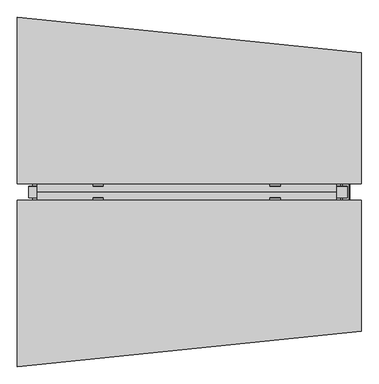
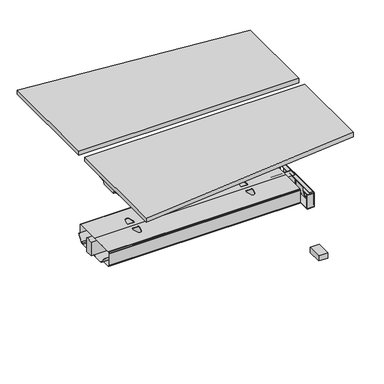
"""IFC4 building model written with IfcOpenShell, lengths in millimetres: furniture geometry."""

from ifc_helpers import new_model, si_unit, point, frame, frame_2d, origin, place, context, project, spatial, polyline, circle_curve, ellipse_curve, trimmed, segment, composite_curve, outline, extrude, faceted_brep, source, transform, mapped, element, save
from ifc_brep_helpers import plane_surface, cylinder_surface, revolved_surface, advanced_brep


def furniture_295356d1(model_context):
    return source(origin(), model_context, "Body", "SolidModel", [
        extrude(outline(polyline([(692.4505912, 639.3704277), (692.4505912, 627.2010571), (647.4824058, 627.2010571), (647.4824058, 639.3704277), (692.4505912, 639.3704277)])), frame((0.0, 0.0, 329.7517063), z_axis=(0.0, 0.0, 1.0), x_axis=(1.0, 0.0, 0.0)), (0.0, 0.0, 1.0), 2.6568509),
        extrude(outline(polyline([(666.5324058, 557.0887375), (647.4824058, 592.5319047), (647.4824058, 639.3704277), (692.4505912, 639.3704277), (692.4505912, 627.4425925), (666.5324058, 627.4425925), (666.5324058, 557.0887375)])), frame((0.0, 0.0, 428.6948675), z_axis=(0.0, 0.0, 1.0), x_axis=(1.0, 0.0, 0.0)), (0.0, 0.0, 1.0), 2.6568509),
        extrude(outline(polyline([(692.4505912, 170.9160479), (692.4505912, 158.9882127), (647.4824058, 158.9882127), (647.4824058, 170.9160479), (692.4505912, 170.9160479)])), frame((0.0, 0.0, 329.7517063), z_axis=(0.0, 0.0, 1.0), x_axis=(1.0, 0.0, 0.0)), (0.0, 0.0, 1.0), 2.6568509),
        extrude(outline(polyline([(692.4505912, 165.0842069), (692.4505912, 158.9882127), (647.4824058, 158.9882127), (647.4824058, 165.0842069), (692.4505912, 165.0842069)])), frame((0.0, 0.0, 332.4085572), z_axis=(0.0, 0.0, 1.0), x_axis=(1.0, 0.0, 0.0)), (0.0, 0.0, 1.0), 96.2863103),
        extrude(outline(polyline([(666.5324058, 241.2699029), (666.5324058, 170.9160479), (692.4505912, 170.9160479), (692.4505912, 158.9882127), (647.4824058, 158.9882127), (647.4824058, 205.8267357), (666.5324058, 241.2699029)])), frame((0.0, 0.0, 428.6948675), z_axis=(0.0, 0.0, 1.0), x_axis=(1.0, 0.0, 0.0)), (0.0, 0.0, 1.0), 2.6568509),
        extrude(outline(composite_curve([segment(polyline([(692.5018643, 165.0842069), (647.4824058, 165.0842069), (647.4824058, 167.7418174), (692.4320682, 167.7418174)]), True, "CONTINUOUS"), segment(trimmed(circle_curve(frame_2d((692.5019303, 170.9160843)), 3.1750357), [point((692.4320682, 167.7418174))], [point((695.676966, 170.9160479))], True, "CARTESIAN"), True, "CONTINUOUS"), segment(polyline([(695.676966, 170.9160479), (698.3337054, 170.9160479)]), True, "CONTINUOUS"), segment(trimmed(circle_curve(frame_2d((692.5018643, 170.9160479)), 5.8318411), [point((698.3337054, 170.9160479))], [point((692.5018643, 165.0842069))], False, "CARTESIAN"), True, "CONTINUOUS")], self_intersect=False)), frame((0.0, 0.0, 337.371699), z_axis=(0.0, 0.0, 1.0), x_axis=(1.0, 0.0, 0.0)), (0.0, 0.0, 1.0), 87.8941627),
        extrude(outline(polyline([(342.9173325, 425.2658616), (337.0354481, 421.6463878), (337.0354481, 416.1853839), (341.0613469, 412.1594669), (457.0505017, 412.1594669), (461.0764369, 416.1853839), (461.0764369, 421.6463878), (454.0472738, 425.9718869), (627.4425766, 425.9718869), (627.4425766, 333.9274688), (170.9160479, 333.9274688), (170.9160479, 425.2658616), (342.9173325, 425.2658616)]), holes=[polyline([(233.9635599, 355.1517184), (235.6650368, 348.8017063), (240.3135539, 344.1531891), (246.663566, 342.4517305), (265.713566, 342.4517305), (272.0635599, 344.1531891), (276.7120862, 348.8017063), (278.413563, 355.1517184), (278.413563, 393.2517184), (276.7120862, 399.6017305), (272.0635599, 404.2502476), (265.713566, 405.9517063), (246.663566, 405.9517063), (240.3135539, 404.2502476), (235.6650368, 399.6017305), (233.9635599, 393.2517184), (233.9635599, 355.1517184)]), polyline([(424.4559432, 341.1336423), (424.4559432, 392.426696), (423.9200452, 394.4267193), (422.4559432, 395.8908015), (420.4559432, 396.4267063), (377.6345424, 396.4267063), (375.6345441, 395.8908015), (374.1704415, 394.4267193), (373.6345435, 392.426696), (373.6345435, 341.1336423), (374.1704415, 339.1336554), (375.6345441, 337.6695369), (377.6345424, 337.1336321), (420.4559432, 337.1336321), (422.4559432, 337.6695369), (423.9200452, 339.1336554), (424.4559432, 341.1336423)]), polyline([(564.1483295, 355.1517184), (564.1483295, 393.2517184), (562.4468527, 399.6017305), (557.7983356, 404.2502476), (551.4483235, 405.9517063), (532.3983235, 405.9517063), (526.0483295, 404.2502476), (521.3998033, 399.6017305), (519.6983265, 393.2517184), (519.6983265, 355.1517184), (521.3998033, 348.8017063), (526.0483295, 344.1531891), (532.3983235, 342.4517305), (551.4483235, 342.4517305), (557.7983356, 344.1531891), (562.4468527, 348.8017063), (564.1483295, 355.1517184)])]), frame((692.4505912, 0.0, 0.0), z_axis=(1.0, 0.0, 0.0), x_axis=(0.0, 1.0, 0.0)), (0.0, 0.0, 1.0), 3.2262996),
        faceted_brep([(638.3400259, 227.963817, 425.8310036), (638.3400259, 227.963817, 340.2751793), (638.3400259, 227.963817, 338.091367), (638.3400259, 228.9762009, 334.3130557), (638.3400259, 231.7467258, 331.542549), (638.3400259, 235.531324, 330.5284757), (638.3400259, 398.8377457, 330.5284757), (638.3400259, 562.8273164, 330.5284757), (638.3400259, 566.6119146, 331.542549), (638.3400259, 569.3824396, 334.3130557), (638.3400259, 570.3948234, 338.091367), (638.3400259, 570.3948234, 340.2751793), (638.3400259, 570.3948234, 425.8310036), (638.3400259, 569.4215919, 429.4631947), (638.3400259, 566.6102252, 432.3861267), (638.3400259, 562.825627, 433.4002), (638.3400259, 397.785447, 433.4002), (638.3400259, 235.5330134, 433.4002), (638.3400259, 231.7484152, 432.3861267), (638.3400259, 228.9370485, 429.4631947), (638.3400259, 235.5330134, 432.1810157), (638.3400259, 396.9389352, 432.1810157), (638.3400259, 562.825627, 432.1810157), (638.3400259, 566.000633, 431.3302682), (638.3400259, 568.3248916, 429.0059915), (638.3400259, 569.1756391, 425.8310036), (638.3400259, 569.1756391, 340.2751793), (638.3400259, 569.1756391, 338.0914349), (638.3400259, 568.326581, 334.9226842), (638.3400259, 566.0023225, 332.5984075), (638.3400259, 562.8273164, 331.74766), (638.3400259, 397.7786116, 331.74766), (638.3400259, 235.531324, 331.74766), (638.3400259, 232.3563179, 332.5984075), (638.3400259, 230.0320594, 334.9226842), (638.3400259, 229.1830013, 338.0914349), (638.3400259, 229.1830013, 340.2751793), (638.3400259, 229.1830013, 425.8310036), (638.3400259, 230.0337488, 429.0059915), (638.3400259, 232.3580074, 431.3302682), (-660.9408985, 227.963817, 425.8310036), (-660.9408985, 228.9370485, 429.4631947), (-660.9408985, 231.7484152, 432.3861267), (-660.9408985, 235.5330134, 433.4002), (-660.9408985, 397.785447, 433.4002), (-660.9408985, 562.825627, 433.4002), (-660.9408985, 566.6102252, 432.3861267), (-660.9408985, 569.4215919, 429.4631947), (-660.9408985, 570.3948234, 425.8310036), (-660.9408985, 570.3948234, 340.2751793), (-660.9408985, 570.3948234, 338.091367), (-660.9408985, 569.3824396, 334.3130557), (-660.9408985, 566.6119146, 331.542549), (-660.9408985, 562.8273164, 330.5284757), (-660.9408985, 398.8377457, 330.5284757), (-660.9408985, 235.531324, 330.5284757), (-660.9408985, 231.7467258, 331.542549), (-660.9408985, 228.9762009, 334.3130557), (-660.9408985, 227.963817, 338.091367), (-660.9408985, 227.963817, 340.2751793), (-660.9408985, 235.5330134, 432.1810157), (-660.9408985, 232.3580074, 431.3302682), (-660.9408985, 230.0337488, 429.0059915), (-660.9408985, 229.1830013, 425.8310036), (-660.9408985, 229.1830013, 340.2751793), (-660.9408985, 229.1830013, 338.0914349), (-660.9408985, 230.0320594, 334.9226842), (-660.9408985, 232.3563179, 332.5984075), (-660.9408985, 235.531324, 331.74766), (-660.9408985, 397.7786116, 331.74766), (-660.9408985, 562.8273164, 331.74766), (-660.9408985, 566.0023225, 332.5984075), (-660.9408985, 568.326581, 334.9226842), (-660.9408985, 569.1756391, 338.0914349), (-660.9408985, 569.1756391, 340.2751793), (-660.9408985, 569.1756391, 425.8310036), (-660.9408985, 568.3248916, 429.0059915), (-660.9408985, 566.000633, 431.3302682), (-660.9408985, 562.825627, 432.1810157), (-660.9408985, 396.9389352, 432.1810157), (-419.4047758, 360.9565261, 432.1810157), (-410.7451218, 328.5218157, 432.1810157), (-408.3303984, 323.3434246, 432.1810157), (-403.8899754, 319.7476409, 432.1810157), (-398.3226676, 318.4623267, 432.1810157), (-396.036917, 318.4623267, 432.1810157), (-390.4696093, 319.7476409, 432.1810157), (-386.0291863, 323.3434246, 432.1810157), (-383.6144421, 328.5218604, 432.1810157), (-374.9548, 360.9565261, 432.1810157), (-374.9548, 373.6565253, 432.1810157), (-419.4047758, 373.6565253, 432.1810157), (395.1587307, 360.9565261, 432.1810157), (395.1587307, 373.6565253, 432.1810157), (350.7087549, 373.6565253, 432.1810157), (350.7087549, 360.9565261, 432.1810157), (359.368397, 328.5218604, 432.1810157), (361.7831412, 323.3434246, 432.1810157), (366.2235642, 319.7476409, 432.1810157), (371.790872, 318.4623267, 432.1810157), (374.0766226, 318.4623267, 432.1810157), (379.6439303, 319.7476409, 432.1810157), (384.0843533, 323.3434246, 432.1810157), (386.4990767, 328.5218157, 432.1810157), (-410.7451218, 328.5218157, 433.4002), (-419.4047758, 360.9565261, 433.4002), (-419.4047758, 373.6565253, 433.4002), (-374.9548, 373.6565253, 433.4002), (-374.9548, 360.9565261, 433.4002), (-383.6144421, 328.5218604, 433.4002), (-386.0291863, 323.3434246, 433.4002), (-390.4696093, 319.7476409, 433.4002), (-396.036917, 318.4623267, 433.4002), (-398.3226676, 318.4623267, 433.4002), (-403.8899754, 319.7476409, 433.4002), (-408.3303984, 323.3434246, 433.4002), (395.1587307, 373.6565253, 433.4002), (395.1587307, 360.9565261, 433.4002), (386.4990767, 328.5218157, 433.4002), (384.0843533, 323.3434246, 433.4002), (379.6439303, 319.7476409, 433.4002), (374.0766226, 318.4623267, 433.4002), (371.790872, 318.4623267, 433.4002), (366.2235642, 319.7476409, 433.4002), (361.7831412, 323.3434246, 433.4002), (359.368397, 328.5218604, 433.4002), (350.7087549, 360.9565261, 433.4002), (350.7087549, 373.6565253, 433.4002), (-419.4047758, 424.7021151, 433.4002), (-419.4047758, 437.4021143, 433.4002), (-410.7451218, 469.8368247, 433.4002), (-408.3303984, 475.0152158, 433.4002), (-403.8899754, 478.6109995, 433.4002), (-398.3226676, 479.8963137, 433.4002), (-396.036917, 479.8963137, 433.4002), (-390.4696093, 478.6109995, 433.4002), (-386.0291863, 475.0152158, 433.4002), (-383.6144421, 469.83678, 433.4002), (-374.9548, 437.4021143, 433.4002), (-374.9548, 424.7021151, 433.4002), (386.4990767, 469.8368247, 433.4002), (395.1587307, 437.4021143, 433.4002), (395.1587307, 424.7021151, 433.4002), (350.7087549, 424.7021151, 433.4002), (350.7087549, 437.4021143, 433.4002), (359.368397, 469.83678, 433.4002), (361.7831412, 475.0152158, 433.4002), (366.2235642, 478.6109995, 433.4002), (371.790872, 479.8963137, 433.4002), (374.0766226, 479.8963137, 433.4002), (379.6439303, 478.6109995, 433.4002), (384.0843533, 475.0152158, 433.4002), (-419.4047758, 437.4021143, 432.1810157), (-419.4047758, 424.7021151, 432.1810157), (-374.9548, 424.7021151, 432.1810157), (-374.9548, 437.4021143, 432.1810157), (-383.6144421, 469.83678, 432.1810157), (-386.0291863, 475.0152158, 432.1810157), (-390.4696093, 478.6109995, 432.1810157), (-396.036917, 479.8963137, 432.1810157), (-398.3226676, 479.8963137, 432.1810157), (-403.8899754, 478.6109995, 432.1810157), (-408.3303984, 475.0152158, 432.1810157), (-410.7451218, 469.8368247, 432.1810157), (395.1587307, 437.4021143, 432.1810157), (386.4990767, 469.8368247, 432.1810157), (384.0843533, 475.0152158, 432.1810157), (379.6439303, 478.6109995, 432.1810157), (374.0766226, 479.8963137, 432.1810157), (371.790872, 479.8963137, 432.1810157), (366.2235642, 478.6109995, 432.1810157), (361.7831412, 475.0152158, 432.1810157), (359.368397, 469.83678, 432.1810157), (350.7087549, 437.4021143, 432.1810157), (350.7087549, 424.7021151, 432.1810157), (395.1587307, 424.7021151, 432.1810157)], [[[0, 1, 2, 3, 4, 5, 6, 7, 8, 9, 10, 11, 12, 13, 14, 15, 16, 17, 18, 19], [20, 21, 22, 23, 24, 25, 26, 27, 28, 29, 30, 31, 32, 33, 34, 35, 36, 37, 38, 39]], [[40, 41, 42, 43, 44, 45, 46, 47, 48, 49, 50, 51, 52, 53, 54, 55, 56, 57, 58, 59], [60, 61, 62, 63, 64, 65, 66, 67, 68, 69, 70, 71, 72, 73, 74, 75, 76, 77, 78, 79]], [[37, 36, 64, 63]], [[38, 37, 63, 62]], [[39, 38, 62, 61]], [[20, 39, 61, 60]], [[21, 20, 60, 79], [80, 81, 82, 83, 84, 85, 86, 87, 88, 89, 90, 91], [92, 93, 94, 95, 96, 97, 98, 99, 100, 101, 102, 103]], [[17, 16, 44, 43], [104, 105, 106, 107, 108, 109, 110, 111, 112, 113, 114, 115], [116, 117, 118, 119, 120, 121, 122, 123, 124, 125, 126, 127]], [[18, 17, 43, 42]], [[19, 18, 42, 41]], [[0, 19, 41, 40]], [[1, 0, 40, 59]], [[2, 1, 59, 58]], [[3, 2, 58, 57]], [[4, 3, 57, 56]], [[5, 4, 56, 55]], [[6, 5, 55, 54]], [[7, 6, 54, 53]], [[8, 7, 53, 52]], [[9, 8, 52, 51]], [[10, 9, 51, 50]], [[11, 10, 50, 49]], [[12, 11, 49, 48]], [[13, 12, 48, 47]], [[14, 13, 47, 46]], [[15, 14, 46, 45]], [[16, 15, 45, 44], [128, 129, 130, 131, 132, 133, 134, 135, 136, 137, 138, 139], [140, 141, 142, 143, 144, 145, 146, 147, 148, 149, 150, 151]], [[22, 21, 79, 78], [152, 153, 154, 155, 156, 157, 158, 159, 160, 161, 162, 163], [164, 165, 166, 167, 168, 169, 170, 171, 172, 173, 174, 175]], [[23, 22, 78, 77]], [[24, 23, 77, 76]], [[25, 24, 76, 75]], [[26, 25, 75, 74]], [[27, 26, 74, 73]], [[28, 27, 73, 72]], [[29, 28, 72, 71]], [[30, 29, 71, 70]], [[31, 30, 70, 69]], [[32, 31, 69, 68]], [[33, 32, 68, 67]], [[34, 33, 67, 66]], [[35, 34, 66, 65]], [[36, 35, 65, 64]], [[80, 105, 104, 81]], [[81, 104, 115, 82]], [[82, 115, 114, 83]], [[83, 114, 113, 84]], [[84, 113, 112, 85]], [[85, 112, 111, 86]], [[86, 111, 110, 87]], [[87, 110, 109, 88]], [[88, 109, 108, 89]], [[89, 108, 107, 90]], [[90, 107, 106, 91]], [[105, 80, 91, 106]], [[92, 117, 116, 93]], [[93, 116, 127, 94]], [[94, 127, 126, 95]], [[95, 126, 125, 96]], [[96, 125, 124, 97]], [[97, 124, 123, 98]], [[98, 123, 122, 99]], [[99, 122, 121, 100]], [[100, 121, 120, 101]], [[101, 120, 119, 102]], [[102, 119, 118, 103]], [[117, 92, 103, 118]], [[152, 129, 128, 153]], [[153, 128, 139, 154]], [[154, 139, 138, 155]], [[155, 138, 137, 156]], [[156, 137, 136, 157]], [[157, 136, 135, 158]], [[158, 135, 134, 159]], [[159, 134, 133, 160]], [[160, 133, 132, 161]], [[161, 132, 131, 162]], [[162, 131, 130, 163]], [[129, 152, 163, 130]], [[164, 141, 140, 165]], [[165, 140, 151, 166]], [[166, 151, 150, 167]], [[167, 150, 149, 168]], [[168, 149, 148, 169]], [[169, 148, 147, 170]], [[170, 147, 146, 171]], [[171, 146, 145, 172]], [[172, 145, 144, 173]], [[173, 144, 143, 174]], [[174, 143, 142, 175]], [[141, 164, 175, 142]]]),
        extrude(outline(composite_curve([segment(trimmed(circle_curve(frame_2d((422.8428694, 431.8444538)), 1.5557462), [point((422.8428694, 433.4002))], [point((424.3986156, 431.8444538))], False, "CARTESIAN"), True, "CONTINUOUS"), segment(polyline([(424.3986156, 431.8444538), (424.3986156, 333.9274688), (374.3606156, 333.9274688), (374.3606156, 433.4002), (422.8428694, 433.4002)]), True, "CONTINUOUS")], self_intersect=False)), frame((-698.3783882, 0.0, 0.0), z_axis=(1.0, 0.0, 0.0), x_axis=(0.0, 1.0, 0.0)), (0.0, 0.0, 1.0), 1384.4789923),
        extrude(outline(composite_curve([segment(polyline([(431.3517184, 692.4505912), (431.3517184, 666.5324058), (428.6948675, 666.5324058), (428.6948675, 692.2062975)]), True, "CONTINUOUS"), segment(trimmed(circle_curve(frame_2d((425.2452738, 692.2062975)), 3.4495937), [point((428.6948675, 692.2062975))], [point((425.2658616, 695.6558297))], True, "CARTESIAN"), True, "CONTINUOUS"), segment(polyline([(425.2658616, 695.6558297), (425.2658616, 698.2823549)]), True, "CONTINUOUS"), segment(trimmed(circle_curve(frame_2d((425.1720964, 692.093112)), 6.1899531), [point((425.2658616, 698.2823549))], [point((431.3517184, 692.4505912))], False, "CARTESIAN"), True, "CONTINUOUS")], self_intersect=False)), frame((0.0, 170.9160479, 0.0), z_axis=(0.0, 1.0, 0.0), x_axis=(0.0, 0.0, 1.0)), (0.0, 0.0, 1.0), 468.4543798),
        extrude(outline(composite_curve([segment(trimmed(circle_curve(frame_2d((691.6017284, 627.2010571)), 5.8318411), [point((691.6017284, 633.0328981))], [point((697.4335695, 627.2010571))], False, "CARTESIAN"), True, "CONTINUOUS"), segment(polyline([(697.4335695, 627.2010571), (694.7768301, 627.2010571)]), True, "CONTINUOUS"), segment(trimmed(circle_curve(frame_2d((691.6017944, 627.2010206)), 3.1750357), [point((694.7768301, 627.2010571))], [point((691.5319323, 630.3752876))], True, "CARTESIAN"), True, "CONTINUOUS"), segment(polyline([(691.5319323, 630.3752876), (647.4824058, 630.3752876), (647.4824058, 633.0328981), (691.6017284, 633.0328981)]), True, "CONTINUOUS")], self_intersect=False)), frame((0.0, 0.0, 337.371699), z_axis=(0.0, 0.0, 1.0), x_axis=(1.0, 0.0, 0.0)), (0.0, 0.0, 1.0), 87.8941627),
        extrude(outline(composite_curve([segment(trimmed(circle_curve(frame_2d((335.5834916, 692.5019564)), 3.1749345), [point((335.5835451, 695.6768908))], [point((332.4090868, 692.443965))], True, "CARTESIAN"), True, "CONTINUOUS"), segment(polyline([(332.4090868, 692.443965), (332.4090868, 647.4824058), (329.7517063, 647.4824058), (329.7517063, 692.5017915)]), True, "CONTINUOUS"), segment(trimmed(circle_curve(frame_2d((335.5835451, 692.5017915)), 5.8318388), [point((329.7517063, 692.5017915))], [point((335.5835451, 698.3336303))], False, "CARTESIAN"), True, "CONTINUOUS"), segment(polyline([(335.5835451, 698.3336303), (335.5835451, 695.6768908)]), True, "CONTINUOUS")], self_intersect=False)), frame((0.0, 170.9160479, 0.0), z_axis=(0.0, 1.0, 0.0), x_axis=(0.0, 0.0, 1.0)), (0.0, 0.0, 1.0), 456.2850092),
        extrude(outline(polyline([(247.9512827, 383.2085327), (249.1812376, 384.0998213), (279.7035642, 341.9798116), (286.6253346, 336.0569173), (295.8489895, 333.9274688), (417.8747239, 333.9274688), (502.5096509, 333.9274688), (511.7333058, 336.0569173), (518.6550762, 341.9798116), (549.1774028, 384.0998213), (550.4073577, 383.2085327), (519.8850248, 341.0885143), (512.423716, 334.7039476), (502.7693005, 332.4750501), (402.1125576, 332.4750501), (295.5893399, 332.4750501), (285.9349244, 334.7039476), (278.4736156, 341.0885143), (247.9512827, 383.2085327)])), frame((-681.3524342, 0.0, 0.0), z_axis=(1.0, 0.0, 0.0), x_axis=(0.0, 1.0, 0.0)), (0.0, 0.0, 1.0), 1338.4018538),
        extrude(outline(polyline([(747.776, 434.1875871), (-747.776, 434.1875871), (-747.776, 1157.325615), (747.776, 1004.9255871), (747.776, 434.1875871)])), frame((0.0, 0.0, 1037.209), z_axis=(0.0, 0.0, 1.0), x_axis=(1.0, 0.0, 0.0)), (0.0, 0.0, 1.0), 29.591),
        advanced_brep(
        [(696.976, 127.2221653, 10.2361894), (696.976, 141.2419153, 10.2361894), (696.976, 140.8547401, 8.7946116), (696.976, 127.6093405, 8.7946116), (696.976, 134.2320403, 10.2361894), (696.976, 113.2751519, 0.0), (696.976, 155.1889286, 0.0), (696.976, 134.2320403, 0.0), (696.976, 111.7314216, 1.5436985), (696.976, 156.732659, 1.5436985), (696.976, 111.7314763, 4.1072626), (696.976, 156.7326043, 4.1072626), (696.976, 113.2713167, 5.9174378), (696.976, 155.1927639, 5.9174378)],
        [
            (0, 1, circle_curve(frame((696.976, 134.2320403, 10.2361894), z_axis=(0.0, 0.0, -1.0), x_axis=(0.0, 1.0, 0.0)), 7.009875)),
            (1, 2),
            (2, 3, circle_curve(frame((696.976, 134.2320403, 8.7946116), z_axis=(0.0, 0.0, 1.0), x_axis=(0.0, 1.0, 0.0)), 6.6226998)),
            (3, 0),
            (1, 0, circle_curve(frame((696.976, 134.2320403, 10.2361894), z_axis=(0.0, 0.0, -1.0), x_axis=(0.0, 1.0, 0.0)), 7.009875)),
            (3, 2, circle_curve(frame((696.976, 134.2320403, 8.7946116), z_axis=(0.0, 0.0, 1.0), x_axis=(0.0, 1.0, 0.0)), 6.6226998)),
            (4, 1),
            (0, 4),
            (5, 6, circle_curve(frame((696.976, 134.2320403, 0.0), z_axis=(0.0, 0.0, -1.0), x_axis=(0.0, 1.0, 0.0)), 20.9568884)),
            (6, 7),
            (7, 5),
            (6, 5, circle_curve(frame((696.976, 134.2320403, 0.0), z_axis=(0.0, 0.0, -1.0), x_axis=(0.0, 1.0, 0.0)), 20.9568884)),
            (8, 9, circle_curve(frame((696.976, 134.2320403, 1.5436985), z_axis=(0.0, 0.0, -1.0), x_axis=(0.0, 1.0, 0.0)), 22.5006187)),
            (9, 6),
            (5, 8),
            (9, 8, circle_curve(frame((696.976, 134.2320403, 1.5436985), z_axis=(0.0, 0.0, -1.0), x_axis=(0.0, 1.0, 0.0)), 22.5006187)),
            (10, 11, circle_curve(frame((696.976, 134.2320403, 4.1072626), z_axis=(0.0, 0.0, -1.0), x_axis=(0.0, 1.0, 0.0)), 22.500564)),
            (11, 9),
            (8, 10),
            (11, 10, circle_curve(frame((696.976, 134.2320403, 4.1072626), z_axis=(0.0, 0.0, -1.0), x_axis=(0.0, 1.0, 0.0)), 22.500564)),
            (12, 13, circle_curve(frame((696.976, 134.2320403, 5.9174378), z_axis=(0.0, 0.0, -1.0), x_axis=(0.0, 1.0, 0.0)), 20.9607236)),
            (13, 11),
            (10, 12),
            (13, 12, circle_curve(frame((696.976, 134.2320403, 5.9174378), z_axis=(0.0, 0.0, -1.0), x_axis=(0.0, 1.0, 0.0)), 20.9607236)),
            (2, 13),
            (12, 3),
        ],
        [
            revolved_surface(polyline([(696.976, 140.8547401, 8.7946116), (696.976, 141.2419153, 10.2361894)]), (696.976, 134.2320403, 0.0), (0.0, 0.0, 1.0)),
            plane_surface(frame((696.976, 134.2320403, 10.2361894), z_axis=(0.0, 0.0, 1.0), x_axis=(0.0, 1.0, 0.0))),
            plane_surface(frame((696.976, 134.2320403, 0.0), z_axis=(0.0, 0.0, -1.0), x_axis=(0.0, 1.0, 0.0))),
            revolved_surface(polyline([(696.976, 155.1889286, 0.0), (696.976, 156.732659, 1.5436985)]), (696.976, 134.2320403, 0.0), (0.0, 0.0, 1.0)),
            cylinder_surface(frame((696.976, 134.2320403, 0.0), z_axis=(0.0, 0.0, 1.0), x_axis=(0.0, 1.0, 0.0)), 22.500564),
            revolved_surface(polyline([(696.976, 156.7327498, 4.1072626), (696.976, 155.1927639, 5.9174378)]), (696.976, 134.2320403, 0.0), (0.0, 0.0, 1.0)),
            revolved_surface(polyline([(696.976, 155.1927639, 5.9174378), (696.976, 140.8547401, 8.7946116)]), (696.976, 134.2320403, 0.0), (0.0, 0.0, 1.0)),
        ],
        [
            (0, [[1, 2, 3, 4]]),
            (0, [[5, -4, 6, -2]]),
            (1, [[7, -1, 8]]),
            (1, [[-8, -5, -7]]),
            (2, [[9, 10, 11]]),
            (2, [[12, -11, -10]]),
            (3, [[13, 14, -9, 15]]),
            (3, [[16, -15, -12, -14]]),
            (4, [[17, 18, -13, 19]]),
            (4, [[20, -19, -16, -18]]),
            (5, [[21, 22, -17, 23]]),
            (5, [[24, -23, -20, -22]]),
            (6, [[-3, 25, -21, 26]]),
            (6, [[-6, -26, -24, -25]]),
        ],
    ),
        extrude(outline(polyline([(667.0675, 59.6052169), (667.0675, 158.9882127), (726.8845, 158.9882127), (726.8845, 59.6052169), (667.0675, 59.6052169)])), frame((0.0, 0.0, 10.2361894), z_axis=(0.0, 0.0, 1.0), x_axis=(1.0, 0.0, 0.0)), (0.0, 0.0, 1.0), 37.8638679),
        extrude(outline(polyline([(747.776, 364.3376128), (747.776, -206.4003872), (-747.776, -358.8004151), (-747.776, 364.3376128), (747.776, 364.3376128)])), frame((0.0, 0.0, 1037.209), z_axis=(0.0, 0.0, 1.0), x_axis=(1.0, 0.0, 0.0)), (0.0, 0.0, 1.0), 29.591),
        advanced_brep(
        [(-731.4406297, 162.7292702, 988.7915733), (-565.7122138, 162.7292702, 988.7915733), (-580.0924181, 160.5008169, 986.1442785), (-728.9518591, 160.5008169, 986.1442785), (-731.6625278, 162.738256, 989.0276054), (-734.0619089, 163.3822827, 1005.9443054), (-551.2773962, 163.3822827, 1005.9443054), (-551.2773962, 163.0342965, 996.8037253), (-554.1075093, 162.9531058, 994.6710821), (-554.2501644, 162.8754397, 992.6310191), (-734.9185362, 168.8493181, 1011.9839076), (-551.2773962, 168.8493181, 1011.9839076), (-737.4393767, 283.4205225, 1029.7569507), (-673.2243442, 283.4205225, 1029.7569507), (-551.2773962, 202.6158, 1017.2219877), (-737.5128152, 287.1965275, 1030.2747243), (-678.9229255, 287.1965275, 1030.2747243), (-738.1871296, 288.7067839, 1035.0289399), (-736.4021288, 286.1298888, 1037.209), (-677.3132011, 286.1298888, 1037.209), (-738.1871296, -70.2667839, 1035.0289399), (-737.5128152, -68.7565275, 1030.2747243), (-678.9229255, -68.7565275, 1030.2747243), (-677.3132011, -67.6898888, 1037.209), (-736.4021288, -67.6898888, 1037.209), (-737.4393767, -64.9805225, 1029.7569507), (-673.2243442, -64.9805225, 1029.7569507), (-734.9185362, 49.5906819, 1011.9839076), (-551.2773962, 49.5906819, 1011.9839076), (-551.2773962, 15.8242, 1017.2219877), (-734.0619089, 55.0577173, 1005.9443054), (-551.2773962, 55.0577173, 1005.9443054), (-731.6625278, 55.701744, 989.0276054), (-731.4406297, 55.7107298, 988.7915733), (-565.7122138, 55.7107298, 988.7915733), (-554.2501644, 55.5645603, 992.6310191), (-554.1075093, 55.4868942, 994.6710821), (-551.2773962, 55.4057035, 996.8037253), (-728.9518591, 57.9391831, 986.1442785), (-580.0924181, 57.9391831, 986.1442785), (-551.2773962, 15.8242, 1037.209), (-551.2773962, 202.6158, 1037.209)],
        [
            (0, 1),
            (1, 2, ellipse_curve(frame((-589.9936465, 239.7670009, 1080.3086722), z_axis=(0.0, 0.7650318638532662, -0.6439924279750482), x_axis=(0.0, 0.6439924279750482, 0.7650318638532662)), 123.7641411, 94.6835116)),
            (2, 3),
            (3, 0),
            (0, 4),
            (4, 5),
            (5, 6),
            (6, 7),
            (7, 8),
            (8, 9),
            (9, 1, ellipse_curve(frame((-589.9936465, 166.2133686, 1080.3086722), z_axis=(0.0, 0.999276106683639, -0.03804290487316255), x_axis=(0.0, 0.03804290487316397, 0.999276106683639)), 94.752102, 94.6835116)),
            (5, 10, ellipse_curve(frame((-734.0119691, 169.8408409, 1005.5922075), z_axis=(-0.9900906714849619, 0.0, -0.1404295632637843), x_axis=(-0.1404295632637846, 0.0, 0.9900906714849619)), 6.5328852, 6.4681487)),
            (10, 11),
            (11, 6, circle_curve(frame((-551.2773962, 169.8408409, 1005.5922075), z_axis=(1.0, 0.0, 0.0), x_axis=(0.0, 1.0, 0.0)), 6.4681487)),
            (10, 12),
            (12, 13),
            (13, 14),
            (14, 11),
            (12, 15),
            (15, 16),
            (16, 13),
            (15, 17, ellipse_curve(frame((-737.9730772, 285.2194111, 1033.5197755), z_axis=(0.9900906714849619, 0.0, 0.1404295632637843), x_axis=(0.1404295632637846, 0.0, -0.9900906714849619)), 3.8379455, 3.7999141)),
            (17, 18, ellipse_curve(frame((-739.422811, 285.2194111, 1033.5197755), z_axis=(0.7737284588432124, 0.0, -0.6335173809581766), x_axis=(0.6335173809581766, 0.0, 0.7737284588432124)), 4.9111727, 3.7999141)),
            (18, 19),
            (19, 16, ellipse_curve(frame((-675.939148, 285.2194111, 1033.5197755), z_axis=(-0.5523637579768881, -0.833603190297188, 0.0), x_axis=(0.833603190297188, -0.5523637579768881, 0.0)), 6.8793689, 3.7999141)),
            (20, 21, ellipse_curve(frame((-737.9730772, -66.7794111, 1033.5197755), z_axis=(0.9900906714849619, 0.0, 0.1404295632637843), x_axis=(0.1404295632637846, 0.0, -0.9900906714849619)), 3.8379455, 3.7999141)),
            (21, 22),
            (22, 23, ellipse_curve(frame((-675.939148, -66.7794111, 1033.5197755), z_axis=(-0.5523637579749648, 0.8336031902984624, 0.0), x_axis=(0.8336031902984624, 0.5523637579749648, 0.0)), 6.8793689, 3.7999141)),
            (23, 24),
            (24, 20, ellipse_curve(frame((-739.422811, -66.7794111, 1033.5197755), z_axis=(0.7737284588432124, 0.0, -0.6335173809581766), x_axis=(0.6335173809581766, 0.0, 0.7737284588432124)), 4.9111727, 3.7999141)),
            (21, 25),
            (25, 26),
            (26, 22),
            (27, 28),
            (28, 29),
            (29, 26),
            (25, 27),
            (27, 30, ellipse_curve(frame((-734.0119691, 48.5991591, 1005.5922075), z_axis=(-0.9900906714849619, 0.0, -0.1404295632637843), x_axis=(-0.1404295632637846, 0.0, 0.9900906714849619)), 6.5328852, 6.4681487)),
            (30, 31),
            (31, 28, circle_curve(frame((-551.2773962, 48.5991591, 1005.5922075), z_axis=(1.0, 0.0, 0.0), x_axis=(0.0, 1.0, 0.0)), 6.4681487)),
            (30, 32),
            (32, 33),
            (33, 34),
            (34, 35, ellipse_curve(frame((-589.9936465, 52.2266314, 1080.3086722), z_axis=(0.0, -0.9992761066836363, -0.03804290487323539), x_axis=(0.0, 0.03804290487323121, -0.9992761066836364)), 94.752102, 94.6835116)),
            (35, 36),
            (36, 37),
            (37, 31),
            (33, 38),
            (38, 39),
            (39, 34, ellipse_curve(frame((-589.9936465, -21.3270009, 1080.3086722), z_axis=(0.0, -0.7650318638534733, -0.643992427974802), x_axis=(0.0, 0.643992427974802, -0.7650318638534732)), 123.7641411, 94.6835116)),
            (4, 32),
            (20, 17),
            (24, 18),
            (23, 40),
            (40, 41),
            (41, 19),
            (37, 7),
            (14, 41),
            (40, 29),
            (36, 8),
            (35, 9),
            (39, 2),
            (38, 3),
        ],
        [
            plane_surface(frame((-754.4773962, 160.5008169, 986.1442785), z_axis=(0.0, 0.7650318638532662, -0.6439924279750482), x_axis=(1.0, 0.0, 0.0))),
            plane_surface(frame((-754.4773962, 162.7292702, 988.7915733), z_axis=(0.0, 0.999276106683639, -0.03804290487316255), x_axis=(1.0, 0.0, 0.0))),
            revolved_surface(polyline([(-734.9293793154884, 176.3089896, 1005.5922075), (-551.2773962, 176.3089896, 1005.5922075)]), (-754.4773962, 169.8408409, 1005.5922075), (-1.0, 0.0, 0.0)),
            plane_surface(frame((-754.4773962, 168.8493181, 1011.9839076), z_axis=(0.0, 0.153293135871396, -0.9881807600306302), x_axis=(1.0, 0.0, 0.0))),
            plane_surface(frame((-754.4773962, 283.4205225, 1029.7569507), z_axis=(0.0, 0.13585085469026903, -0.9907292996979162), x_axis=(1.0, 0.0, 0.0))),
            cylinder_surface(frame((-754.4773962, 285.2194111, 1033.5197755), z_axis=(1.0, 0.0, 0.0), x_axis=(0.0, 1.0, 0.0)), 3.7999141),
            cylinder_surface(frame((-754.4773962, -66.7794111, 1033.5197755), z_axis=(1.0, 0.0, 0.0), x_axis=(0.0, 1.0, 0.0)), 3.7999141),
            plane_surface(frame((-754.4773962, -68.7565275, 1030.2747243), z_axis=(0.0, -0.13585085468791205, -0.9907292996982394), x_axis=(1.0, 0.0, 0.0))),
            plane_surface(frame((-754.4773962, -64.9805225, 1029.7569507), z_axis=(0.0, -0.1532931358714066, -0.9881807600306285), x_axis=(1.0, 0.0, 0.0))),
            revolved_surface(polyline([(-734.9293793154884, 55.0673078, 1005.5922075), (-551.2773962, 55.0673078, 1005.5922075)]), (-754.4773962, 48.5991591, 1005.5922075), (-1.0, 0.0, 0.0)),
            plane_surface(frame((-754.4773962, 55.0577173, 1005.9443054), z_axis=(0.0, -0.9992761066836363, -0.03804290487323539), x_axis=(1.0, 0.0, 0.0))),
            plane_surface(frame((-754.4773962, 55.7107298, 988.7915733), z_axis=(0.0, -0.7650318638534733, -0.643992427974802), x_axis=(1.0, 0.0, 0.0))),
            plane_surface(frame((-731.6625278, 299.72, 989.0276054), z_axis=(-0.9900906714849619, 0.0, -0.1404295632637843), x_axis=(0.0, -1.0, 0.0))),
            plane_surface(frame((-738.1871296, 299.72, 1035.0289399), z_axis=(-0.7737284588432124, 0.0, 0.6335173809581766), x_axis=(0.0, -1.0, 0.0))),
            plane_surface(frame((-736.4021288, 299.72, 1037.209), z_axis=(0.0, 0.0, 1.0), x_axis=(0.0, -1.0, 0.0))),
            plane_surface(frame((-551.2773962, 299.72, 1037.209), z_axis=(1.0, 0.0, 0.0), x_axis=(0.0, -1.0, 0.0))),
            plane_surface(frame((-551.2773962, 299.72, 996.8037253), z_axis=(0.6018150231516275, 0.0, -0.7986355100476099), x_axis=(0.0, -1.0, 0.0))),
            plane_surface(frame((-554.1075093, 299.72, 994.6710821), z_axis=(0.9975640502599642, 0.0, -0.06975647374212507), x_axis=(0.0, -1.0, 0.0))),
            cylinder_surface(frame((-589.9936465, 299.72, 1080.3086722), z_axis=(0.0, 1.0, 0.0), x_axis=(1.0, 0.0, 0.0)), 94.6835116),
            plane_surface(frame((-580.0924181, 299.72, 986.1442785), z_axis=(0.0, 0.0, -1.0), x_axis=(0.0, -1.0, 0.0))),
            plane_surface(frame((-728.9518591, 299.72, 986.1442785), z_axis=(-0.7285846064197382, 0.0, -0.684955817033621), x_axis=(0.0, -1.0, 0.0))),
            plane_surface(frame((-697.8228017, 299.72, 1037.209), z_axis=(0.5523637579768881, 0.833603190297188, 0.0), x_axis=(0.0, 0.0, -1.0))),
            plane_surface(frame((-551.2773962, 15.8242, 1037.209), z_axis=(0.5523637579749648, -0.8336031902984624, 0.0), x_axis=(0.0, 0.0, -1.0))),
        ],
        [
            (0, [[1, 2, 3, 4]]),
            (1, [[-1, 5, 6, 7, 8, 9, 10, 11]]),
            (2, [[-7, 12, 13, 14]]),
            (3, [[-13, 15, 16, 17, 18]]),
            (4, [[19, 20, 21, -16]]),
            (5, [[22, 23, 24, 25, -20]]),
            (6, [[26, 27, 28, 29, 30]]),
            (7, [[31, 32, 33, -27]]),
            (8, [[34, 35, 36, -32, 37]]),
            (9, [[-34, 38, 39, 40]]),
            (10, [[-39, 41, 42, 43, 44, 45, 46, 47]]),
            (11, [[-43, 48, 49, 50]]),
            (12, [[51, -41, -38, -37, -31, -26, 52, -22, -19, -15, -12, -6]]),
            (13, [[-52, -30, 53, -23]]),
            (14, [[-53, -29, 54, 55, 56, -24]]),
            (15, [[57, -8, -14, -18, 58, -55, 59, -35, -40, -47]]),
            (16, [[-57, -46, 60, -9]]),
            (17, [[-60, -45, 61, -10]]),
            (18, [[-61, -44, -50, 62, -2, -11]]),
            (19, [[-62, -49, 63, -3]]),
            (20, [[-51, -5, -4, -63, -48, -42]]),
            (21, [[-56, -58, -17, -21, -25]]),
            (22, [[-54, -28, -33, -36, -59]]),
        ],
    ),
        advanced_brep(
        [(565.7122138, 162.7292702, 988.7915733), (731.4406297, 162.7292702, 988.7915733), (728.9518591, 160.5008169, 986.1442785), (580.0924181, 160.5008169, 986.1442785), (554.2501644, 162.8754397, 992.6310191), (554.1075093, 162.9531058, 994.6710821), (551.4619573, 163.0290018, 996.6646485), (551.4619573, 163.3822827, 1005.9443054), (734.0619089, 163.3822827, 1005.9443054), (731.6625278, 162.738256, 989.0276054), (551.4619573, 168.8493181, 1011.9839076), (734.9185362, 168.8493181, 1011.9839076), (551.4619573, 202.6089953, 1017.2209321), (673.2570453, 283.4205225, 1029.7569507), (737.4393767, 283.4205225, 1029.7569507), (737.5128152, 287.1965275, 1030.2747243), (678.9480509, 287.1965275, 1030.2747243), (738.1871296, 288.7067839, 1035.0289399), (677.3404665, 286.1298888, 1037.209), (736.4021288, 286.1298888, 1037.209), (737.5128152, -68.7565275, 1030.2747243), (738.1871296, -70.2667839, 1035.0289399), (736.4021288, -67.6898888, 1037.209), (677.3404665, -67.6898888, 1037.209), (678.9480509, -68.7565275, 1030.2747243), (737.4393767, -64.9805225, 1029.7569507), (673.2570453, -64.9805225, 1029.7569507), (551.4619573, 49.5906819, 1011.9839076), (734.9185362, 49.5906819, 1011.9839076), (551.4619573, 15.8310047, 1017.2209321), (551.4619573, 55.0577173, 1005.9443054), (734.0619089, 55.0577173, 1005.9443054), (551.4619573, 55.4109982, 996.6646485), (554.1075093, 55.4868942, 994.6710821), (554.2501644, 55.5645603, 992.6310191), (565.7122138, 55.7107298, 988.7915733), (731.4406297, 55.7107298, 988.7915733), (731.6625278, 55.701744, 989.0276054), (580.0924181, 57.9391831, 986.1442785), (728.9518591, 57.9391831, 986.1442785), (551.4619573, 202.6089953, 1037.209), (551.4619573, 15.8310047, 1037.209)],
        [
            (0, 1),
            (1, 2),
            (2, 3),
            (3, 0, ellipse_curve(frame((589.9936465, 239.7670009, 1080.3086722), z_axis=(0.0, 0.7650318638532565, -0.6439924279750596), x_axis=(0.0, -0.6439924279750596, -0.7650318638532564)), 123.7641411, 94.6835116)),
            (0, 4, ellipse_curve(frame((589.9936465, 166.2133686, 1080.3086722), z_axis=(0.0, 0.9992761066836392, -0.03804290487315862), x_axis=(0.0, -0.03804290487315623, -0.9992761066836393)), 94.752102, 94.6835116)),
            (4, 5),
            (5, 6),
            (6, 7),
            (7, 8),
            (8, 9),
            (9, 1),
            (7, 10, circle_curve(frame((551.4619573, 169.8408409, 1005.5922075), z_axis=(-1.0, 0.0, 0.0), x_axis=(0.0, 1.0, 0.0)), 6.4681487)),
            (10, 11),
            (11, 8, ellipse_curve(frame((734.0119691, 169.8408409, 1005.5922075), z_axis=(0.9900906714849659, 0.0, -0.1404295632637567), x_axis=(-0.1404295632637562, 0.0, -0.9900906714849659)), 6.5328852, 6.4681487)),
            (10, 12),
            (12, 13),
            (13, 14),
            (14, 11),
            (15, 14),
            (13, 16),
            (16, 15),
            (17, 15, ellipse_curve(frame((737.9730772, 285.2194111, 1033.5197755), z_axis=(-0.9900906714849659, 0.0, 0.1404295632637567), x_axis=(0.1404295632637562, 0.0, 0.9900906714849659)), 3.8379455, 3.7999141)),
            (16, 18, ellipse_curve(frame((675.96824, 285.2194111, 1033.5197755), z_axis=(0.5528743936294658, -0.8332646067539714, 0.0), x_axis=(0.8332646067539713, 0.5528743936294658, 0.0)), 6.8730151, 3.7999141)),
            (18, 19),
            (19, 17, ellipse_curve(frame((739.422811, 285.2194111, 1033.5197755), z_axis=(-0.7737284588399557, 0.0, -0.633517380962154), x_axis=(0.6335173809621538, 0.0, -0.7737284588399556)), 4.9111727, 3.7999141)),
            (20, 21, ellipse_curve(frame((737.9730772, -66.7794111, 1033.5197755), z_axis=(-0.9900906714849659, 0.0, 0.1404295632637567), x_axis=(0.1404295632637562, 0.0, 0.9900906714849659)), 3.8379455, 3.7999141)),
            (21, 22, ellipse_curve(frame((739.422811, -66.7794111, 1033.5197755), z_axis=(-0.7737284588399557, 0.0, -0.633517380962154), x_axis=(0.6335173809621538, 0.0, -0.7737284588399556)), 4.9111727, 3.7999141)),
            (22, 23),
            (23, 24, ellipse_curve(frame((675.96824, -66.7794111, 1033.5197755), z_axis=(0.5528743936294437, 0.8332646067539861, 0.0), x_axis=(0.833264606753986, -0.5528743936294437, 0.0)), 6.8730151, 3.7999141)),
            (24, 20),
            (25, 20),
            (24, 26),
            (26, 25),
            (27, 28),
            (28, 25),
            (26, 29),
            (29, 27),
            (27, 30, circle_curve(frame((551.4619573, 48.5991591, 1005.5922075), z_axis=(-1.0, 0.0, 0.0), x_axis=(0.0, 1.0, 0.0)), 6.4681487)),
            (30, 31),
            (31, 28, ellipse_curve(frame((734.0119691, 48.5991591, 1005.5922075), z_axis=(0.9900906714849659, 0.0, -0.1404295632637567), x_axis=(-0.1404295632637562, 0.0, -0.9900906714849659)), 6.5328852, 6.4681487)),
            (30, 32),
            (32, 33),
            (33, 34),
            (34, 35, ellipse_curve(frame((589.9936465, 52.2266314, 1080.3086722), z_axis=(0.0, -0.9992761066836363, -0.03804290487323539), x_axis=(0.0, -0.03804290487323121, 0.9992761066836364)), 94.752102, 94.6835116)),
            (35, 36),
            (36, 37),
            (37, 31),
            (35, 38, ellipse_curve(frame((589.9936465, -21.3270009, 1080.3086722), z_axis=(0.0, -0.7650318638534733, -0.643992427974802), x_axis=(0.0, -0.643992427974802, 0.7650318638534732)), 123.7641411, 94.6835116)),
            (38, 39),
            (39, 36),
            (37, 9),
            (17, 21),
            (19, 22),
            (18, 40),
            (40, 41),
            (41, 23),
            (6, 32),
            (29, 41),
            (40, 12),
            (5, 33),
            (4, 34),
            (3, 38),
            (2, 39),
        ],
        [
            plane_surface(frame((551.4619573, 160.5008169, 986.1442785), z_axis=(0.0, 0.7650318638532565, -0.6439924279750596), x_axis=(1.0, 0.0, 0.0))),
            plane_surface(frame((551.4619573, 162.7292702, 988.7915733), z_axis=(0.0, 0.9992761066836392, -0.03804290487315862), x_axis=(1.0, 0.0, 0.0))),
            revolved_surface(polyline([(551.4619573, 176.3089896, 1005.5922075), (734.9293793154882, 176.3089896, 1005.5922075)]), (551.4619573, 169.8408409, 1005.5922075), (-1.0, 0.0, 0.0)),
            plane_surface(frame((551.4619573, 168.8493181, 1011.9839076), z_axis=(0.0, 0.15329313587140309, -0.988180760030629), x_axis=(1.0, 0.0, 0.0))),
            plane_surface(frame((551.4619573, 283.4205225, 1029.7569507), z_axis=(0.0, 0.1358508546900816, -0.9907292996979419), x_axis=(1.0, 0.0, 0.0))),
            cylinder_surface(frame((551.4619573, 285.2194111, 1033.5197755), z_axis=(1.0, 0.0, 0.0), x_axis=(0.0, 1.0, 0.0)), 3.7999141),
            cylinder_surface(frame((551.4619573, -66.7794111, 1033.5197755), z_axis=(1.0, 0.0, 0.0), x_axis=(0.0, 1.0, 0.0)), 3.7999141),
            plane_surface(frame((551.4619573, -68.7565275, 1030.2747243), z_axis=(0.0, -0.1358508546877776, -0.9907292996982578), x_axis=(1.0, 0.0, 0.0))),
            plane_surface(frame((551.4619573, -64.9805225, 1029.7569507), z_axis=(0.0, -0.15329313587141113, -0.9881807600306277), x_axis=(1.0, 0.0, 0.0))),
            revolved_surface(polyline([(551.4619573, 55.0673078, 1005.5922075), (734.9293793154882, 55.0673078, 1005.5922075)]), (551.4619573, 48.5991591, 1005.5922075), (-1.0, 0.0, 0.0)),
            plane_surface(frame((551.4619573, 55.0577173, 1005.9443054), z_axis=(0.0, -0.9992761066836363, -0.03804290487323539), x_axis=(1.0, 0.0, 0.0))),
            plane_surface(frame((551.4619573, 55.7107298, 988.7915733), z_axis=(0.0, -0.7650318638534733, -0.643992427974802), x_axis=(1.0, 0.0, 0.0))),
            plane_surface(frame((731.6625278, -81.28, 989.0276054), z_axis=(0.9900906714849659, 0.0, -0.1404295632637567), x_axis=(0.0, 1.0, 0.0))),
            plane_surface(frame((738.1871296, -81.28, 1035.0289399), z_axis=(0.7737284588399557, 0.0, 0.633517380962154), x_axis=(0.0, 1.0, 0.0))),
            plane_surface(frame((736.4021288, -81.28, 1037.209), z_axis=(0.0, 0.0, 1.0), x_axis=(0.0, 1.0, 0.0))),
            plane_surface(frame((551.4619573, -81.28, 1037.209), z_axis=(-1.0, 0.0, 0.0), x_axis=(0.0, 1.0, 0.0))),
            plane_surface(frame((551.4619573, -81.28, 996.6646485), z_axis=(-0.6018150231540728, 0.0, -0.7986355100457674), x_axis=(0.0, 1.0, 0.0))),
            plane_surface(frame((554.1075093, -81.28, 994.6710821), z_axis=(-0.9975640502598242, 0.0, -0.06975647374412697), x_axis=(0.0, 1.0, 0.0))),
            cylinder_surface(frame((589.9936465, -81.28, 1080.3086722), z_axis=(0.0, -1.0, 0.0), x_axis=(-1.0, 0.0, 0.0)), 94.6835116),
            plane_surface(frame((580.0924181, -81.28, 986.1442785), z_axis=(0.0, 0.0, -1.0), x_axis=(0.0, 1.0, 0.0))),
            plane_surface(frame((728.9518591, -81.28, 986.1442785), z_axis=(0.7285846064222696, 0.0, -0.6849558170309284), x_axis=(0.0, 1.0, 0.0))),
            plane_surface(frame((551.4619573, 202.6089953, 1037.209), z_axis=(-0.5528743936294658, 0.8332646067539714, 0.0), x_axis=(0.0, 0.0, -1.0))),
            plane_surface(frame((697.8228017, -81.28, 1037.209), z_axis=(-0.5528743936294437, -0.8332646067539861, 0.0), x_axis=(0.0, 0.0, -1.0))),
        ],
        [
            (0, [[1, 2, 3, 4]]),
            (1, [[-1, 5, 6, 7, 8, 9, 10, 11]]),
            (2, [[-9, 12, 13, 14]]),
            (3, [[-13, 15, 16, 17, 18]]),
            (4, [[19, -17, 20, 21]]),
            (5, [[22, -21, 23, 24, 25]]),
            (6, [[26, 27, 28, 29, 30]]),
            (7, [[31, -30, 32, 33]]),
            (8, [[34, 35, -33, 36, 37]]),
            (9, [[-34, 38, 39, 40]]),
            (10, [[-39, 41, 42, 43, 44, 45, 46, 47]]),
            (11, [[-45, 48, 49, 50]]),
            (12, [[51, -10, -14, -18, -19, -22, 52, -26, -31, -35, -40, -47]]),
            (13, [[-52, -25, 53, -27]]),
            (14, [[-53, -24, 54, 55, 56, -28]]),
            (15, [[57, -41, -38, -37, 58, -55, 59, -15, -12, -8]]),
            (16, [[-57, -7, 60, -42]]),
            (17, [[-60, -6, 61, -43]]),
            (18, [[-61, -5, -4, 62, -48, -44]]),
            (19, [[-62, -3, 63, -49]]),
            (20, [[-51, -46, -50, -63, -2, -11]]),
            (21, [[-54, -23, -20, -16, -59]]),
            (22, [[-56, -58, -36, -32, -29]]),
        ],
    ),
        advanced_brep(
        [(-551.2773962, 187.9031697, 1031.9794894), (-551.2773962, 189.6675242, 1034.2075511), (-551.2773962, 200.6481225, 1034.2075511), (-551.2773962, 201.3782919, 1031.6093085), (-551.2773962, 179.9519108, 1002.0462148), (-551.2773962, 162.5510914, 993.4452863), (-551.2773962, 55.7632156, 993.4452863), (-551.2773962, 38.1354217, 1002.4997482), (-551.2773962, 16.8007138, 1032.2706054), (-551.2773962, 18.4392766, 1034.3266572), (-551.2773962, 28.6544098, 1034.3266572), (-551.2773962, 30.5253848, 1031.9794894), (-551.2773962, 29.7841637, 1031.4423822), (-551.2773962, 28.2139363, 1033.4122572), (-551.2773962, 18.5353238, 1033.4122572), (-551.2773962, 17.7294351, 1032.5444366), (-551.2773962, 38.8786744, 1003.0323858), (-551.2773962, 55.7632156, 994.3598536), (-551.2773962, 162.5510914, 994.3596863), (-551.2773962, 179.21844, 1002.5923713), (-551.2773962, 200.5721627, 1032.0552144), (-551.2773962, 200.3148942, 1033.2931511), (-551.2773962, 190.109809, 1033.2931511), (-551.2773962, 188.6442719, 1031.4424419), (551.4619573, 187.9031697, 1031.9794894), (551.4619573, 188.6442719, 1031.4424419), (551.4619573, 190.109809, 1033.2931511), (551.4619573, 200.3148942, 1033.2931511), (551.4619573, 200.5721627, 1032.0552144), (551.4619573, 179.21844, 1002.5923713), (551.4619573, 162.5510914, 994.3596863), (551.4619573, 55.7632155, 994.3596863), (551.4619573, 38.8786744, 1003.0323858), (551.4619573, 17.7294351, 1032.5444366), (551.4619573, 18.5353238, 1033.4122572), (551.4619573, 28.2139363, 1033.4122572), (551.4619573, 29.7841637, 1031.4423822), (551.4619573, 30.5253848, 1031.9794894), (551.4619573, 28.6544098, 1034.3266572), (551.4619573, 18.4392766, 1034.3266572), (551.4619573, 16.8007138, 1032.2706054), (551.4619573, 38.1354217, 1002.4997482), (551.4619573, 55.7632156, 993.4454536), (551.4619573, 162.5510914, 993.4452863), (551.4619573, 179.9519108, 1002.0462148), (551.4619573, 201.3782919, 1031.6093085), (551.4619573, 200.6481225, 1034.2075511), (551.4619573, 189.6675242, 1034.2075511)],
        [
            (0, 1),
            (1, 2),
            (2, 3, circle_curve(frame((-551.2773962, 199.4305576, 1032.4636667), z_axis=(-1.0, 0.0, 0.0), x_axis=(0.0, 1.0, 0.0)), 2.1268749)),
            (3, 4),
            (4, 5, circle_curve(frame((-551.2773962, 162.5510914, 1015.3478336), z_axis=(-1.0, 0.0, 0.0), x_axis=(0.0, 1.0, 0.0)), 21.9025472)),
            (5, 6),
            (6, 7, circle_curve(frame((-551.2773962, 55.7632156, 1015.132365), z_axis=(-1.0, 0.0, 0.0), x_axis=(0.0, 1.0, 0.0)), 21.6869114)),
            (7, 8),
            (8, 9, circle_curve(frame((-551.2773962, 18.8010635, 1032.3573833), z_axis=(-1.0, 0.0, 0.0), x_axis=(0.0, 1.0, 0.0)), 2.0022311)),
            (9, 10),
            (10, 11),
            (11, 12),
            (12, 13),
            (13, 14),
            (14, 15, circle_curve(frame((-551.2773962, 18.8010635, 1032.3573833), z_axis=(1.0, 0.0, 0.0), x_axis=(0.0, 1.0, 0.0)), 1.0878311)),
            (15, 16),
            (16, 17, circle_curve(frame((-551.2773962, 55.7632156, 1015.132365), z_axis=(1.0, 0.0, 0.0), x_axis=(0.0, 1.0, 0.0)), 20.7725114)),
            (17, 18),
            (18, 19, circle_curve(frame((-551.2773962, 162.5510914, 1015.3478336), z_axis=(1.0, 0.0, 0.0), x_axis=(0.0, 1.0, 0.0)), 20.9881473)),
            (19, 20),
            (20, 21, circle_curve(frame((-551.2773962, 199.4305576, 1032.4636667), z_axis=(1.0, 0.0, 0.0), x_axis=(0.0, 1.0, 0.0)), 1.2124749)),
            (21, 22),
            (22, 23),
            (23, 0),
            (24, 25),
            (25, 26),
            (26, 27),
            (27, 28, circle_curve(frame((551.4619573, 199.4305576, 1032.4636667), z_axis=(-1.0, 0.0, 0.0), x_axis=(0.0, 1.0, 0.0)), 1.2124749)),
            (28, 29),
            (29, 30, circle_curve(frame((551.4619573, 162.5510914, 1015.3478336), z_axis=(-1.0, 0.0, 0.0), x_axis=(0.0, 1.0, 0.0)), 20.9881473)),
            (30, 31),
            (31, 32, circle_curve(frame((551.4619573, 55.7632156, 1015.132365), z_axis=(-1.0, 0.0, 0.0), x_axis=(0.0, 1.0, 0.0)), 20.7725114)),
            (32, 33),
            (33, 34, circle_curve(frame((551.4619573, 18.8010635, 1032.3573833), z_axis=(-1.0, 0.0, 0.0), x_axis=(0.0, 1.0, 0.0)), 1.0878311)),
            (34, 35),
            (35, 36),
            (36, 37),
            (37, 38),
            (38, 39),
            (39, 40, circle_curve(frame((551.4619573, 18.8010635, 1032.3573833), z_axis=(1.0, 0.0, 0.0), x_axis=(0.0, 1.0, 0.0)), 2.0022311)),
            (40, 41),
            (41, 42, circle_curve(frame((551.4619573, 55.7632156, 1015.132365), z_axis=(1.0, 0.0, 0.0), x_axis=(0.0, 1.0, 0.0)), 21.6869114)),
            (42, 43),
            (43, 44, circle_curve(frame((551.4619573, 162.5510914, 1015.3478336), z_axis=(1.0, 0.0, 0.0), x_axis=(0.0, 1.0, 0.0)), 21.9025472)),
            (44, 45),
            (45, 46, circle_curve(frame((551.4619573, 199.4305576, 1032.4636667), z_axis=(1.0, 0.0, 0.0), x_axis=(0.0, 1.0, 0.0)), 2.1268749)),
            (46, 47),
            (47, 24),
            (0, 24),
            (47, 1),
            (46, 2),
            (45, 3),
            (44, 4),
            (43, 5),
            (42, 6),
            (41, 7),
            (40, 8),
            (39, 9),
            (38, 10),
            (37, 11),
            (36, 12),
            (35, 13),
            (34, 14),
            (33, 15),
            (32, 16),
            (31, 17),
            (30, 18),
            (29, 19),
            (28, 20),
            (27, 21),
            (26, 22),
            (25, 23),
        ],
        [
            plane_surface(frame((-551.2773962, 109.22, 1037.209), z_axis=(-1.0, 0.0, 0.0), x_axis=(0.0, 0.0, 1.0))),
            plane_surface(frame((551.4619573, 109.22, 1037.209), z_axis=(1.0, 0.0, 0.0), x_axis=(0.0, 0.0, 1.0))),
            plane_surface(frame((-551.2773962, 187.9031697, 1031.9794894), z_axis=(0.0, -0.7839649337165058, 0.6208051084703434), x_axis=(1.0, 0.0, 0.0))),
            plane_surface(frame((-551.2773962, 189.6675242, 1034.2075511), z_axis=(0.0, 0.0, 1.0), x_axis=(1.0, 0.0, 0.0))),
            cylinder_surface(frame((-551.2773962, 199.4305576, 1032.4636667), z_axis=(-1.0, 0.0, 0.0), x_axis=(0.0, 1.0, 0.0)), 2.1268749),
            plane_surface(frame((-551.2773962, 201.3782919, 1031.6093085), z_axis=(0.0, 0.8096997445281038, -0.586844377762217), x_axis=(1.0, 0.0, 0.0))),
            cylinder_surface(frame((-551.2773962, 162.5510914, 1015.3478336), z_axis=(-1.0, 0.0, 0.0), x_axis=(0.0, 1.0, 0.0)), 21.9025472),
            plane_surface(frame((-551.2773962, 162.5510914, 993.4452863), z_axis=(0.0, 0.0, -1.0), x_axis=(1.0, 0.0, 0.0))),
            cylinder_surface(frame((-551.2773962, 55.7632156, 1015.132365), z_axis=(-1.0, 0.0, 0.0), x_axis=(0.0, 1.0, 0.0)), 21.6869114),
            plane_surface(frame((-551.2773962, 38.1354217, 1002.4997482), z_axis=(0.0, -0.8128309997561537, -0.5824995844079305), x_axis=(1.0, 0.0, 0.0))),
            cylinder_surface(frame((-551.2773962, 18.8010635, 1032.3573833), z_axis=(-1.0, 0.0, 0.0), x_axis=(0.0, 1.0, 0.0)), 2.0022311),
            plane_surface(frame((-551.2773962, 18.4392766, 1034.3266572), z_axis=(0.0, 0.0, 1.0), x_axis=(1.0, 0.0, 0.0))),
            plane_surface(frame((-551.2773962, 28.6544098, 1034.3266572), z_axis=(0.0, 0.7819660587237972, 0.6233210112004657), x_axis=(1.0, 0.0, 0.0))),
            plane_surface(frame((-551.2773962, 30.5253848, 1031.9794894), z_axis=(0.0, 0.5867684336468096, -0.8097547809526473), x_axis=(1.0, 0.0, 0.0))),
            plane_surface(frame((-551.2773962, 29.7841637, 1031.4423822), z_axis=(0.0, -0.7819660587239206, -0.6233210112003109), x_axis=(1.0, 0.0, 0.0))),
            plane_surface(frame((-551.2773962, 28.2139363, 1033.4122572), z_axis=(0.0, 0.0, -1.0), x_axis=(1.0, 0.0, 0.0))),
            revolved_surface(polyline([(551.4619573000001, 19.8888946, 1032.3573833), (-551.2773962, 19.8888946, 1032.3573833)]), (-551.2773962, 18.8010635, 1032.3573833), (1.0, 0.0, 0.0)),
            plane_surface(frame((-551.2773962, 17.7294351, 1032.5444366), z_axis=(0.0, 0.8128309996716102, 0.582499584525904), x_axis=(1.0, 0.0, 0.0))),
            revolved_surface(polyline([(551.4619573000001, 76.53572700000001, 1015.132365), (-551.2773962, 76.53572700000001, 1015.132365)]), (-551.2773962, 55.7632156, 1015.132365), (1.0, 0.0, 0.0)),
            plane_surface(frame((-551.2773962, 55.7632155, 994.3596863), z_axis=(0.0, 0.0, 1.0), x_axis=(1.0, 0.0, 0.0))),
            revolved_surface(polyline([(551.4619573000001, 183.5392387, 1015.3478336), (-551.2773962, 183.5392387, 1015.3478336)]), (-551.2773962, 162.5510914, 1015.3478336), (1.0, 0.0, 0.0)),
            plane_surface(frame((-551.2773962, 179.21844, 1002.5923713), z_axis=(0.0, -0.8096997449536107, 0.5868443771751228), x_axis=(1.0, 0.0, 0.0))),
            revolved_surface(polyline([(551.4619573000001, 200.64303249999998, 1032.4636667), (-551.2773962, 200.64303249999998, 1032.4636667)]), (-551.2773962, 199.4305576, 1032.4636667), (1.0, 0.0, 0.0)),
            plane_surface(frame((-551.2773962, 200.3148942, 1033.2931511), z_axis=(0.0, 0.0, -1.0), x_axis=(1.0, 0.0, 0.0))),
            plane_surface(frame((-551.2773962, 190.109809, 1033.2931511), z_axis=(0.0, 0.7839649337164979, -0.6208051084703533), x_axis=(1.0, 0.0, 0.0))),
            plane_surface(frame((-551.2773962, 188.6442719, 1031.4424419), z_axis=(0.0, -0.5867873637752554, -0.8097410633737715), x_axis=(1.0, 0.0, 0.0))),
        ],
        [
            (0, [[1, 2, 3, 4, 5, 6, 7, 8, 9, 10, 11, 12, 13, 14, 15, 16, 17, 18, 19, 20, 21, 22, 23, 24]]),
            (1, [[25, 26, 27, 28, 29, 30, 31, 32, 33, 34, 35, 36, 37, 38, 39, 40, 41, 42, 43, 44, 45, 46, 47, 48]]),
            (2, [[-1, 49, -48, 50]]),
            (3, [[-2, -50, -47, 51]]),
            (4, [[-3, -51, -46, 52]]),
            (5, [[-4, -52, -45, 53]]),
            (6, [[-5, -53, -44, 54]]),
            (7, [[-6, -54, -43, 55]]),
            (8, [[-7, -55, -42, 56]]),
            (9, [[-8, -56, -41, 57]]),
            (10, [[-9, -57, -40, 58]]),
            (11, [[-10, -58, -39, 59]]),
            (12, [[-11, -59, -38, 60]]),
            (13, [[-12, -60, -37, 61]]),
            (14, [[-13, -61, -36, 62]]),
            (15, [[-14, -62, -35, 63]]),
            (16, [[-15, -63, -34, 64]]),
            (17, [[-16, -64, -33, 65]]),
            (18, [[-17, -65, -32, 66]]),
            (19, [[-18, -66, -31, 67]]),
            (20, [[-19, -67, -30, 68]]),
            (21, [[-20, -68, -29, 69]]),
            (22, [[-21, -69, -28, 70]]),
            (23, [[-22, -70, -27, 71]]),
            (24, [[-23, -71, -26, 72]]),
            (25, [[-24, -72, -25, -49]]),
        ],
    ),
    ])


if __name__ == "__main__":
    model = new_model("IFC4")
    model_context = context("Model", 3, world=origin())
    ifc_project = project(units=[si_unit("LENGTHUNIT", "METRE", prefix="MILLI")], contexts=[model_context])
    site = spatial("IfcSite", under=ifc_project)
    building = spatial("IfcBuilding", under=site)
    placement = place(None, origin())
    furniture_shape = furniture_295356d1(model_context)
    element("IfcFurniture", 1, at=placement, inside=building, context=model_context, shape_type="MappedRepresentation", body=[
        mapped(furniture_shape, transform((0.0, 0.0, 0.0), x_axis=(1.0, 0.0, 0.0), y_axis=(0.0, 1.0, 0.0), z_axis=(0.0, 0.0, 1.0))),
    ])
    save(model, "model.ifc")
